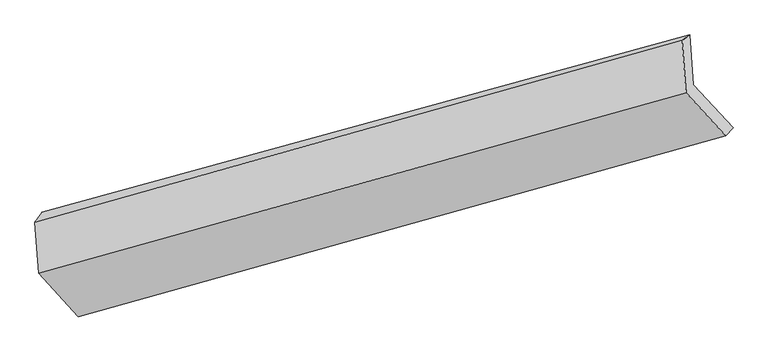
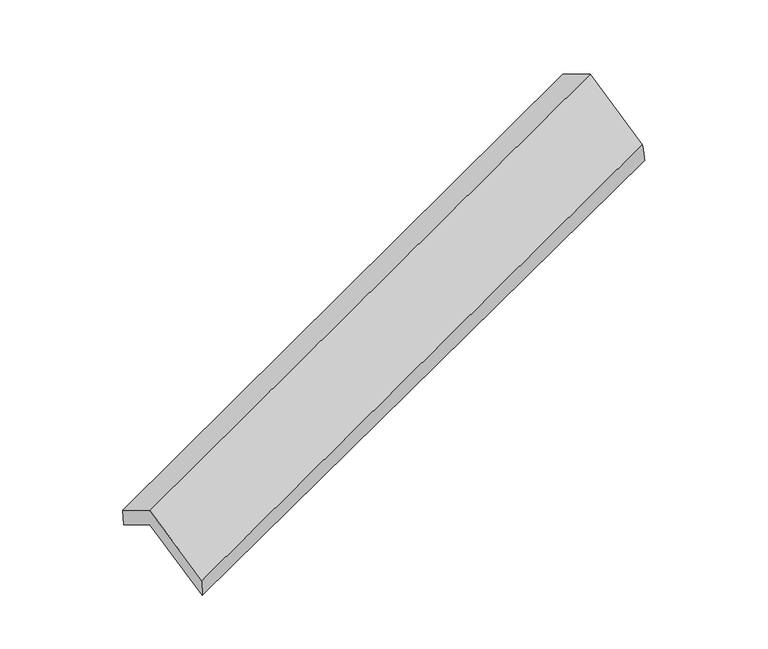
"""IFC4 building model written with IfcOpenShell, lengths in millimetres: proxy geometry."""

from ifc_helpers import new_model, si_unit, frame, origin, place, context, project, spatial, source, transform, mapped, element, save
from ifc_brep_helpers import plane_surface, spline_surface, advanced_brep


def generic_models_fd259099(model_context):
    return source(origin(), model_context, "Body", "AdvancedBrep", [
        advanced_brep(
        [(-5097.4929743, -2086.9236653, 1294.3838658), (-5121.4058365, -1753.0014116, 1101.3993882), (-762.3863926, -559.0109814, 2667.2854557), (-738.4735304, -892.9332351, 2860.2699333), (-5168.324914, -1818.0431069, 1286.1297857), (-813.1538872, -596.2970891, 2841.2835218), (-5143.5695617, -2163.7299986, 1485.9134285), (-788.0033569, -947.5022961, 3044.2563776), (-4876.539883, -2453.7580564, 950.9881959), (-520.9736782, -1237.5303539, 2509.331145), (-4830.4632956, -2376.951723, 759.4586333), (-471.4438517, -1182.9612928, 2325.3447008)],
        [
            (0, 1),
            (1, 2),
            (2, 3),
            (3, 0),
            (1, 4),
            (4, 5),
            (5, 2),
            (4, 6),
            (6, 7),
            (7, 5),
            (6, 8),
            (8, 9),
            (9, 7),
            (8, 10),
            (10, 11),
            (11, 9),
            (10, 0),
            (3, 11),
        ],
        [
            plane_surface(frame((-5109.4494054, -1919.9625384, 1197.891627), z_axis=(0.4075701828875939, -0.4348779036462915, -0.8029743177344965), x_axis=(-0.061883399505560224, 0.8641476723075655, -0.49941890764272395))),
            spline_surface(1, 1, [[(-5121.4058365, -1753.0014116, 1101.3993882), (-762.3863926, -559.0109814, 2667.2854557)], [(-5168.324914, -1818.0431069, 1286.1297857), (-813.1538872, -596.2970891, 2841.2835218)]], [2, 2], [2, 2], [0.0, 1.0], [0.0, 1.0]),
            plane_surface(frame((-5155.9472378, -1990.8865528, 1386.0216071), z_axis=(-0.40852633729167237, 0.4346118323811834, 0.8026324108166335), x_axis=(0.06188339950556056, -0.8641476723075654, 0.49941890764272423))),
            plane_surface(frame((-5010.0547224, -2308.7440275, 1218.4508122), z_axis=(0.0624940798011194, -0.8639800310767967, 0.49963286109937644), x_axis=(0.4018478576130635, -0.43645767850890055, -0.8049987541620249))),
            spline_surface(1, 1, [[(-4876.539883, -2453.7580564, 950.9881959), (-520.9736782, -1237.5303539, 2509.331145)], [(-4830.4632956, -2376.951723, 759.4586333), (-471.4438517, -1182.9612928, 2325.3447008)]], [2, 2], [2, 2], [0.0, 1.0], [0.0, 1.0]),
            plane_surface(frame((-4963.9781349, -2231.9376941, 1026.9212496), z_axis=(-0.05806266381405262, 0.8651875892103622, -0.49807545868791603), x_axis=(-0.4018478576130636, 0.43645767850890055, 0.8049987541620249))),
            plane_surface(frame((-682.4057829, -902.7058747, 2707.9618557), z_axis=(0.9136130166527956, 0.25050647759301015, 0.3202464058916531), x_axis=(0.24990216772536913, 0.27532756750867193, -0.9283014796583701))),
            plane_surface(frame((-5039.6327442, -2108.7346603, 1146.3788829), z_axis=(-0.9136130166527989, -0.25050647759296435, -0.32024640589167963), x_axis=(0.4018478576130636, -0.43645767850890055, -0.8049987541620249))),
        ],
        [
            (0, [[1, 2, 3, 4]]),
            (1, [[5, 6, 7, -2]]),
            (2, [[8, 9, 10, -6]]),
            (3, [[11, 12, 13, -9]]),
            (4, [[14, 15, 16, -12]]),
            (5, [[17, -4, 18, -15]]),
            (6, [[-16, -18, -3, -7, -10, -13]]),
            (7, [[-17, -14, -11, -8, -5, -1]]),
        ],
    ),
    ])


if __name__ == "__main__":
    model = new_model("IFC4")
    model_context = context("Model", 3, world=origin())
    ifc_project = project(units=[si_unit("LENGTHUNIT", "METRE", prefix="MILLI")], contexts=[model_context])
    site = spatial("IfcSite", under=ifc_project)
    building = spatial("IfcBuilding", under=site)
    placement = place(None, origin())
    generic_models_shape = generic_models_fd259099(model_context)
    element("IfcBuildingElementProxy", 1, Name="Generic Models", at=placement, inside=building, context=model_context, shape_type="MappedRepresentation", body=[
        mapped(generic_models_shape, transform((0.0, 0.0, 0.0), x_axis=(1.0, 0.0, 0.0), y_axis=(0.0, 1.0, 0.0), z_axis=(0.0, 0.0, 1.0))),
    ])
    save(model, "model.ifc")
